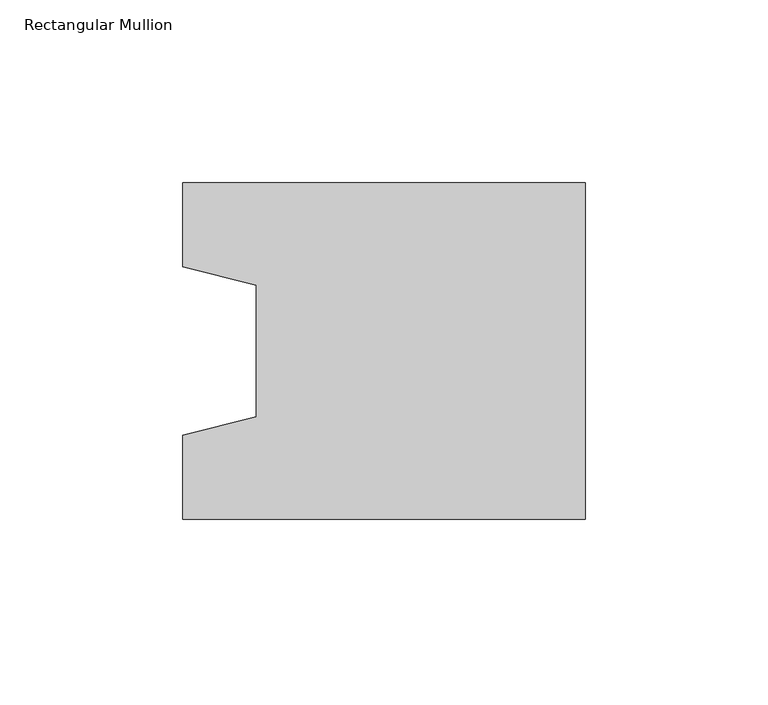
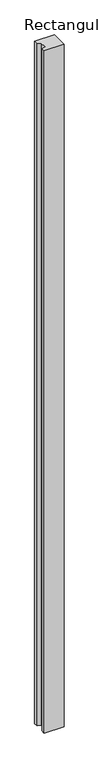
"""IFC4 building model written with IfcOpenShell, lengths in millimetres: column geometry, Rectangular Mullion."""

from ifc_helpers import new_model, si_unit, frame, origin, place, context, project, spatial, polyline, outline, extrude, source, transform, mapped, element, save


def rectangular_mullion_070ee48a(model_context):
    return source(origin(), model_context, "Body", "SweptSolid", [
        extrude(outline(polyline([(-110.0, -46.0), (-110.0, -23.0), (-90.0, -18.0), (-90.0, 18.0), (-110.0, 23.0), (-110.0, 46.0), (0.0, 46.0), (0.0, -46.0), (-110.0, -46.0)])), frame((0.0, 0.0, -4000.0), z_axis=(0.0, 0.0, 1.0), x_axis=(1.0, 0.0, 0.0)), (0.0, 0.0, 1.0), 4000.0),
    ])


if __name__ == "__main__":
    model = new_model("IFC4")
    model_context = context("Model", 3, world=origin())
    ifc_project = project(units=[si_unit("LENGTHUNIT", "METRE", prefix="MILLI")], contexts=[model_context])
    site = spatial("IfcSite", under=ifc_project)
    building = spatial("IfcBuilding", under=site)
    placement = place(None, origin())
    rectangular_mullion_shape = rectangular_mullion_070ee48a(model_context)
    element("IfcColumn", 1, ObjectType="Rectangular Mullion", at=placement, inside=building, context=model_context, shape_type="MappedRepresentation", body=[
        mapped(rectangular_mullion_shape, transform((0.0, 0.0, 0.0), x_axis=(1.0, 0.0, 0.0), y_axis=(0.0, 1.0, 0.0), z_axis=(0.0, 0.0, 1.0))),
    ])
    save(model, "model.ifc")
